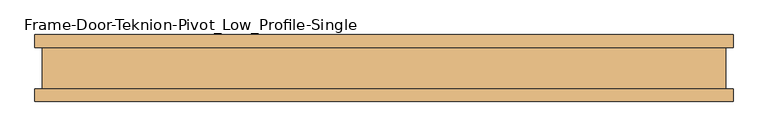
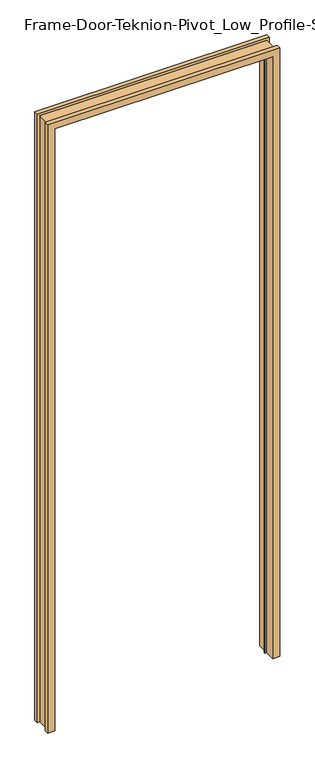
"""IFC4 building model written with IfcOpenShell, lengths in millimetres: door geometry, Frame-Door-Teknion-Pivot_Low_Profile-Single."""

import ifcopenshell
import ifcopenshell.guid

model = None  # the IFC model being written
_history = None  # IfcOwnerHistory: only IFC2X3 demands one
_inside = {}  # id of a spatial element -> (the spatial element, [elements in it])
_under = {}  # id of a project, library or spatial element -> (it, [spatial elements below it])
_declared = {}  # id of a project -> (the project, [libraries it declares])
_typed = {}  # id of a type object -> (the type object, [elements of that type])
_made_of = {}  # id of a material, layer set ... -> (it, [elements and type objects made of it])


def new_model(schema):
    """Start an empty IFC model of exactly this schema.

    Asked for "IFC4X3", IfcOpenShell would pick the latest addendum, in which some entities
    have other attributes; the version numbers below select the first issue.
    IFC2X3 requires an IfcOwnerHistory on every rooted entity: one is made here for all.
    """
    global model, _history
    if schema == "IFC4X3":
        model = ifcopenshell.file(schema_version=(4, 3, 0, 0))
    else:
        model = ifcopenshell.file(schema=schema)
    _inside.clear()
    _under.clear()
    _declared.clear()
    _typed.clear()
    _made_of.clear()
    _history = None
    if model.schema == "IFC2X3":
        org = make("IfcOrganization", Name="unknown")
        user = make(
            "IfcPersonAndOrganization",
            ThePerson=make("IfcPerson", FamilyName="unknown"),
            TheOrganization=org,
        )
        app = make(
            "IfcApplication",
            ApplicationDeveloper=org,
            Version="unknown",
            ApplicationFullName="unknown",
            ApplicationIdentifier="unknown",
        )
        _history = make(
            "IfcOwnerHistory",
            OwningUser=user,
            OwningApplication=app,
            ChangeAction="ADDED",
            CreationDate=0,
        )
    return model


def make(cls, **values):
    """One entity of the class cls with the attributes given. An attribute that is None is left unset."""
    return model.create_entity(
        cls, **{name: value for name, value in values.items() if value is not None}
    )


def rooted(cls, **values):
    """An entity with a GlobalId (a new one), such as an element, a storey or a relation."""
    return make(cls, GlobalId=ifcopenshell.guid.new(), OwnerHistory=_history, **values)


def si_unit(unit_type, name, prefix=None):
    """IfcSIUnit, for example si_unit("LENGTHUNIT", "METRE", prefix="MILLI")."""
    return make("IfcSIUnit", UnitType=unit_type, Prefix=prefix, Name=name)


def assignment(units):
    """IfcUnitAssignment: the units of a project."""
    return None if units is None else make("IfcUnitAssignment", Units=units)


def point(xyz):
    """IfcCartesianPoint."""
    return None if xyz is None else make("IfcCartesianPoint", Coordinates=xyz)


def direction(xyz):
    """IfcDirection."""
    return None if xyz is None else make("IfcDirection", DirectionRatios=xyz)


def frame(location, z_axis=None, x_axis=None):
    """IfcAxis2Placement3D, a coordinate frame: its origin and axes. An axis left out is left unset."""
    return make(
        "IfcAxis2Placement3D",
        Location=point(location),
        Axis=direction(z_axis),
        RefDirection=direction(x_axis),
    )


def origin():
    """The frame at (0, 0, 0) with its axes left unset."""
    return frame((0.0, 0.0, 0.0))


def place(relative_to, where):
    """IfcLocalPlacement: puts the frame where relative to a parent placement (None: the world)."""
    return make(
        "IfcLocalPlacement", PlacementRelTo=relative_to, RelativePlacement=where
    )


def context(
    kind, dimensions, precision=None, world=None, true_north=None, identifier=None
):
    """IfcGeometricRepresentationContext, for example the 3D "Model" context."""
    return make(
        "IfcGeometricRepresentationContext",
        ContextIdentifier=identifier,
        ContextType=kind,
        CoordinateSpaceDimension=dimensions,
        Precision=precision,
        WorldCoordinateSystem=world,
        TrueNorth=true_north,
    )


def project(units=None, contexts=None):
    """IfcProject with its units and contexts."""
    return rooted(
        "IfcProject",
        Name="project",
        RepresentationContexts=contexts,
        UnitsInContext=assignment(units),
    )


def spatial(cls, under=None, at=None, **own):
    """A site, building, storey or space (cls), placed at a placement, below another one or the project."""
    s = rooted(cls, ObjectPlacement=at, **own)
    if under is not None:
        _under.setdefault(under.id(), (under, []))[1].append(s)
    return s


def faces_of(points, faces, orient=None, outer=None):
    """IfcFace entities. A face is a list of loops; a loop is a list of indices into points, from 0.

    orient and outer hold one flag for each loop. By default every Orientation is true, the
    first loop of a face is its IfcFaceOuterBound and the others are IfcFaceBound.
    """
    made = []
    for i, loops in enumerate(faces):
        bounds = []
        for j, loop in enumerate(loops):
            is_outer = j == 0 if outer is None else outer[i][j]
            bounds.append(
                make(
                    "IfcFaceOuterBound" if is_outer else "IfcFaceBound",
                    Bound=make("IfcPolyLoop", Polygon=[points[k] for k in loop]),
                    Orientation=True if orient is None else orient[i][j],
                )
            )
        made.append(make("IfcFace", Bounds=bounds))
    return made


def faceted_brep(points, faces, orient=None, outer=None, voids=None):
    """IfcFacetedBrep: a solid bounded by flat faces; with voids (closed shells), ...WithVoids."""
    shared = [point(p) for p in points]
    hull = make("IfcClosedShell", CfsFaces=faces_of(shared, faces, orient, outer))
    if voids is None:
        return make("IfcFacetedBrep", Outer=hull)
    return make(
        "IfcFacetedBrepWithVoids",
        Outer=hull,
        Voids=[
            make(cls, CfsFaces=faces_of(shared, fs, o, b)) for cls, fs, o, b in voids
        ],
    )


def shape(context_of_items, identifier, shape_type, items):
    """IfcShapeRepresentation: the items that make up one representation, for example the "Body"."""
    return make(
        "IfcShapeRepresentation",
        ContextOfItems=context_of_items,
        RepresentationIdentifier=identifier,
        RepresentationType=shape_type,
        Items=items,
    )


def source(mapping_origin, context_of_items, identifier, shape_type, items):
    """IfcRepresentationMap: a shape defined once, which mapped items show again and again."""
    return make(
        "IfcRepresentationMap",
        MappingOrigin=mapping_origin,
        MappedRepresentation=shape(context_of_items, identifier, shape_type, items),
    )


def transform(
    local_origin,
    x_axis=None,
    y_axis=None,
    z_axis=None,
    scale=None,
    scale2=None,
    scale3=None,
    uniform=True,
):
    """IfcCartesianTransformationOperator3D, or its non-uniform kind. x_axis, y_axis, z_axis: its Axis1, 2, 3."""
    if uniform:
        return make(
            "IfcCartesianTransformationOperator3D",
            Axis1=direction(x_axis),
            Axis2=direction(y_axis),
            LocalOrigin=point(local_origin),
            Scale=scale,
            Axis3=direction(z_axis),
        )
    return make(
        "IfcCartesianTransformationOperator3DnonUniform",
        Axis1=direction(x_axis),
        Axis2=direction(y_axis),
        LocalOrigin=point(local_origin),
        Scale=scale,
        Axis3=direction(z_axis),
        Scale2=scale2,
        Scale3=scale3,
    )


def mapped(mapping_source, mapping_target):
    """IfcMappedItem: shows the shape of a source again, moved by a transform."""
    return make(
        "IfcMappedItem", MappingSource=mapping_source, MappingTarget=mapping_target
    )


def made_of(thing, what):
    """Note that an element or type object is made of a material, layer set ...; save() writes the relation."""
    if what is not None:
        _made_of.setdefault(what.id(), (what, []))[1].append(thing)
    return thing


def element(
    cls,
    number,
    at=None,
    inside=None,
    cuts=None,
    type_object=None,
    material=None,
    context=None,
    identifier="Body",
    shape_type=None,
    held_by="IfcProductDefinitionShape",
    body=None,
    shapes=None,
    **own,
):
    """One element of the class cls, such as IfcWall. Its Tag is "e" and its number.

    at: its placement. inside: the storey or other place that contains it. cuts: it is an
    opening in that element (IfcRelVoidsElement). A single representation is given by context,
    identifier, shape_type and body (its items); several are given by shapes. held_by: the class
    of the entity that holds the representations. save() writes the other relations.
    """
    e = rooted(cls, Tag="e%d" % number, ObjectPlacement=at, **own)
    if body is not None:
        shapes = [shape(context, identifier, shape_type, body)]
    if shapes is not None:
        e.Representation = make(held_by, Representations=shapes)
    if inside is not None:
        _inside.setdefault(inside.id(), (inside, []))[1].append(e)
    if cuts is not None:
        rooted(
            "IfcRelVoidsElement", RelatingBuildingElement=cuts, RelatedOpeningElement=e
        )
    if type_object is not None:
        _typed.setdefault(type_object.id(), (type_object, []))[1].append(e)
    return made_of(e, material)


def aggregate(whole, parts):
    """IfcRelAggregates: a whole, such as a stair, and the parts it consists of."""
    return rooted("IfcRelAggregates", RelatingObject=whole, RelatedObjects=parts)


def save(model, path):
    """Write the relations noted so far, then the file.

    IfcRelAggregates (storeys below a building ...), IfcRelContainedInSpatialStructure (elements
    in a storey), IfcRelDefinesByType, IfcRelAssociatesMaterial and IfcRelDeclares: one each for
    every whole, place, type object, material and project.
    """
    for whole, parts in _under.values():
        aggregate(whole, parts)
    for where, things in _inside.values():
        rooted(
            "IfcRelContainedInSpatialStructure",
            RelatedElements=things,
            RelatingStructure=where,
        )
    for kind, things in _typed.values():
        rooted("IfcRelDefinesByType", RelatedObjects=things, RelatingType=kind)
    for what, things in _made_of.values():
        rooted("IfcRelAssociatesMaterial", RelatedObjects=things, RelatingMaterial=what)
    for by, libraries in _declared.values():
        rooted("IfcRelDeclares", RelatingContext=by, RelatedDefinitions=libraries)
    model.write(path)


def frame_door_teknion_pivot_low_profile_single_35d458af(model_context):
    return source(origin(), model_context, "Body", "Brep", [
        faceted_brep([(-497.4021296, 50.8, 0.0), (-497.4021296, 0.2091047, 0.0), (-487.8833733, 0.2091047, 0.0), (-487.8833733, -3.8523166, 0.0), (-497.4021296, -3.8523166, 0.0), (-497.4021296, -50.8, 0.0), (-530.4157565, -50.8, 0.0), (-530.4157565, -31.5339997, 0.0), (-519.4101562, -31.5339997, 0.0), (-519.4101562, 31.5339997, 0.0), (-530.4157565, 31.5339997, 0.0), (-530.4157565, 50.8, 0.0), (497.4021296, 50.8, 0.0), (530.4157565, 50.8, 0.0), (530.4157565, 31.5339997, 0.0), (519.4101563, 31.5339997, 0.0), (519.4101563, -31.5339997, 0.0), (530.4157565, -31.5339997, 0.0), (530.4157565, -50.8, 0.0), (497.4021296, -50.8, 0.0), (497.4021296, -3.8523166, 0.0), (487.8833733, -3.8523166, 0.0), (487.8833733, 0.2091047, 0.0), (497.4021296, 0.2091047, 0.0), (-530.4157565, 50.8, 2941.32), (530.4157565, 50.8, 2941.32), (497.4021296, 50.8, 2908.3063731), (-497.4021296, 50.8, 2908.3063731), (-530.4157565, 31.5339997, 2941.32), (-519.4101562, 31.5339997, 2930.3143997), (519.4101563, 31.5339997, 2930.3143997), (530.4157565, 31.5339997, 2941.32), (-519.4101562, -31.5339997, 2930.3143997), (-530.4157565, -31.5339997, 2941.32), (530.4157565, -31.5339997, 2941.32), (519.4101563, -31.5339997, 2930.3143997), (-530.4157565, -50.8, 2941.32), (-497.4021296, -50.8, 2908.3063731), (497.4021296, -50.8, 2908.3063731), (530.4157565, -50.8, 2941.32), (-497.4021296, -3.8523166, 2908.3063731), (-487.8833733, -3.8523166, 2898.7876167), (487.8833733, -3.8523166, 2898.7876167), (497.4021296, -3.8523166, 2908.3063731), (-487.8833733, 0.2091047, 2898.7876167), (-497.4021296, 0.2091047, 2908.3063731), (497.4021296, 0.2091047, 2908.3063731), (487.8833733, 0.2091047, 2898.7876167)], [[[0, 1, 2, 3, 4, 5, 6, 7, 8, 9, 10, 11]], [[12, 13, 14, 15, 16, 17, 18, 19, 20, 21, 22, 23]], [[11, 24, 25, 13, 12, 26, 27, 0]], [[10, 28, 24, 11]], [[9, 29, 30, 15, 14, 31, 28, 10]], [[8, 32, 29, 9]], [[7, 33, 34, 17, 16, 35, 32, 8]], [[6, 36, 33, 7]], [[5, 37, 38, 19, 18, 39, 36, 6]], [[4, 40, 37, 5]], [[3, 41, 42, 21, 20, 43, 40, 4]], [[2, 44, 41, 3]], [[1, 45, 46, 23, 22, 47, 44, 2]], [[0, 27, 45, 1]], [[26, 12, 23, 46]], [[47, 22, 21, 42]], [[43, 20, 19, 38]], [[39, 18, 17, 34]], [[35, 16, 15, 30]], [[31, 14, 13, 25]], [[28, 31, 25, 24]], [[32, 35, 30, 29]], [[36, 39, 34, 33]], [[40, 43, 38, 37]], [[44, 47, 42, 41]], [[27, 26, 46, 45]]]),
    ])


if __name__ == "__main__":
    model = new_model("IFC4")
    model_context = context("Model", 3, world=origin())
    ifc_project = project(units=[si_unit("LENGTHUNIT", "METRE", prefix="MILLI")], contexts=[model_context])
    site = spatial("IfcSite", under=ifc_project)
    building = spatial("IfcBuilding", under=site)
    placement = place(None, origin())
    frame_door_teknion_pivot_low_profile_single_shape = frame_door_teknion_pivot_low_profile_single_35d458af(model_context)
    element("IfcDoor", 1, ObjectType="Frame-Door-Teknion-Pivot_Low_Profile-Single", at=placement, inside=building, context=model_context, shape_type="MappedRepresentation", body=[
        mapped(frame_door_teknion_pivot_low_profile_single_shape, transform((0.0, 0.0, 0.0), x_axis=(1.0, 0.0, 0.0), y_axis=(0.0, 1.0, 0.0), z_axis=(0.0, 0.0, 1.0))),
    ])
    save(model, "model.ifc")
